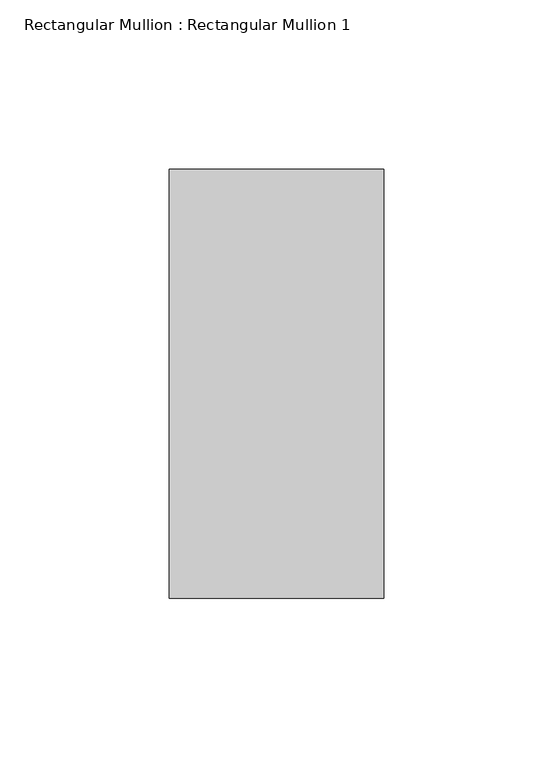
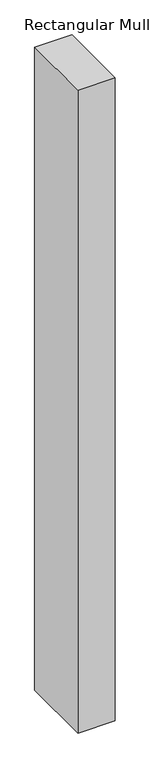
"""IFC4 building model written with IfcOpenShell, lengths in millimetres: member geometry, Rectangular Mullion : Rectangular Mullion 1."""

from ifc_helpers import new_model, si_unit, frame, origin, place, context, project, spatial, polyline, outline, extrude, source, transform, mapped, element, save


def rectangular_mullion_rectangular_mullion_1_dad8c396(model_context):
    return source(origin(), model_context, "Body", "SweptSolid", [
        extrude(outline(polyline([(0.0, 63.5), (0.0, -63.5), (-63.5, -63.5), (-63.5, 63.5), (0.0, 63.5)])), frame((0.0, 0.0, -1155.7000041), z_axis=(0.0, 0.0, 1.0), x_axis=(1.0, 0.0, 0.0)), (0.0, 0.0, 1.0), 1155.7000041),
    ])


if __name__ == "__main__":
    model = new_model("IFC4")
    model_context = context("Model", 3, world=origin())
    ifc_project = project(units=[si_unit("LENGTHUNIT", "METRE", prefix="MILLI")], contexts=[model_context])
    site = spatial("IfcSite", under=ifc_project)
    building = spatial("IfcBuilding", under=site)
    placement = place(None, origin())
    rectangular_mullion_rectangular_mullion_1_shape = rectangular_mullion_rectangular_mullion_1_dad8c396(model_context)
    element("IfcMember", 1, ObjectType="Rectangular Mullion : Rectangular Mullion 1", at=placement, inside=building, context=model_context, shape_type="MappedRepresentation", body=[
        mapped(rectangular_mullion_rectangular_mullion_1_shape, transform((0.0, 0.0, 0.0), x_axis=(1.0, 0.0, 0.0), y_axis=(0.0, 1.0, 0.0), z_axis=(0.0, 0.0, 1.0))),
    ])
    save(model, "model.ifc")
